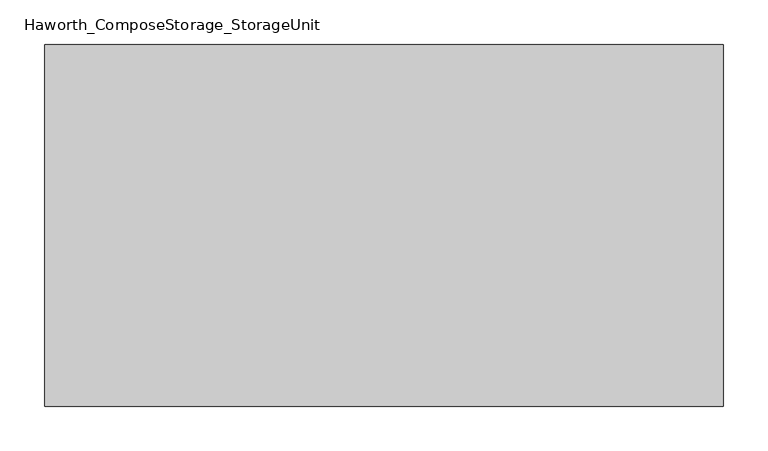
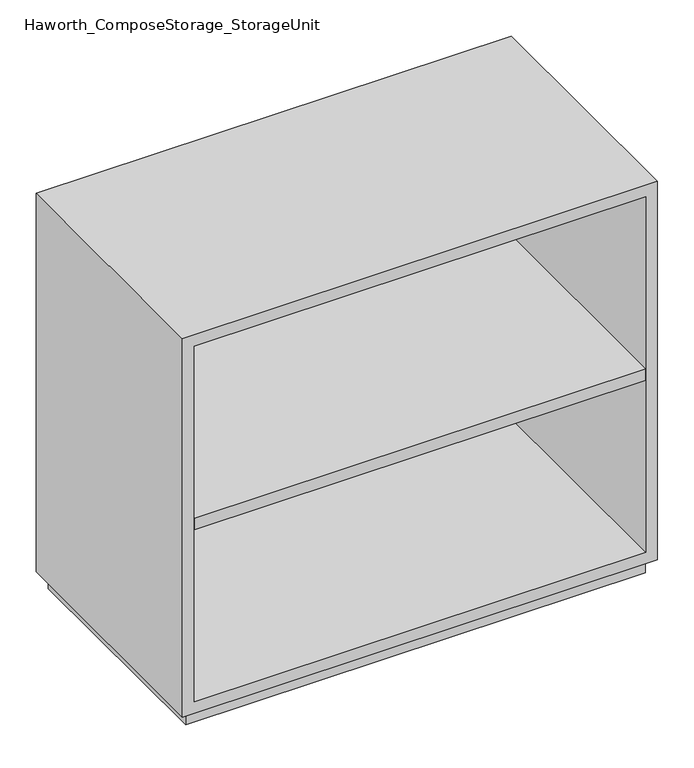
"""IFC4 building model written with IfcOpenShell, lengths in millimetres: furniture geometry, Haworth_ComposeStorage_StorageUnit."""

from ifc_helpers import new_model, si_unit, frame, origin, origin_with_axes, place, context, project, spatial, polyline, outline, extrude, source, transform, mapped, element, save


def haworth_composestorage_storageunit_c174d565(model_context):
    return source(origin(), model_context, "Body", "SweptSolid", [
        extrude(outline(polyline([(361.9569453, 219.075), (361.9569453, -152.4), (-361.9291641, -152.4), (-361.9291641, 219.075), (361.9569453, 219.075)])), frame((0.0, 0.0, 336.55), z_axis=(0.0, 0.0, 1.0), x_axis=(1.0, 0.0, 0.0)), (0.0, 0.0, 1.0), 19.05),
        extrude(outline(polyline([(25.4, -380.9861094), (25.4, 381.0138906), (666.75, 381.0138906), (666.75, -380.9861094), (25.4, -380.9861094)]), holes=[polyline([(44.45, -361.9361094), (647.7, -361.9361094), (647.7, 361.9569453), (44.45, 361.9569453), (44.45, -361.9361094)])]), frame((0.0, -152.4, 0.0), z_axis=(0.0, 1.0, 0.0), x_axis=(0.0, 0.0, 1.0)), (0.0, 0.0, 1.0), 406.4),
        extrude(outline(polyline([(-361.9291641, 219.075), (-361.9291641, 228.6), (361.9569453, 228.6), (361.9569453, 219.075), (-361.9291641, 219.075)])), frame((0.0, 0.0, 44.45), z_axis=(0.0, 0.0, 1.0), x_axis=(1.0, 0.0, 0.0)), (0.0, 0.0, 1.0), 603.25),
        extrude(outline(polyline([(368.3138906, -139.7), (-368.2861094, -139.7), (-368.2861094, 241.3), (368.3138906, 241.3), (368.3138906, -139.7)])), origin_with_axes(), (0.0, 0.0, 1.0), 25.4),
    ])


if __name__ == "__main__":
    model = new_model("IFC4")
    model_context = context("Model", 3, world=origin())
    ifc_project = project(units=[si_unit("LENGTHUNIT", "METRE", prefix="MILLI")], contexts=[model_context])
    site = spatial("IfcSite", under=ifc_project)
    building = spatial("IfcBuilding", under=site)
    placement = place(None, origin())
    haworth_composestorage_storageunit_shape = haworth_composestorage_storageunit_c174d565(model_context)
    element("IfcFurniture", 1, ObjectType="Haworth_ComposeStorage_StorageUnit", at=placement, inside=building, context=model_context, shape_type="MappedRepresentation", body=[
        mapped(haworth_composestorage_storageunit_shape, transform((0.0, 0.0, 0.0), x_axis=(1.0, 0.0, 0.0), y_axis=(0.0, 1.0, 0.0), z_axis=(0.0, 0.0, 1.0))),
    ])
    save(model, "model.ifc")
